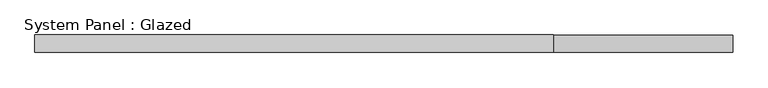
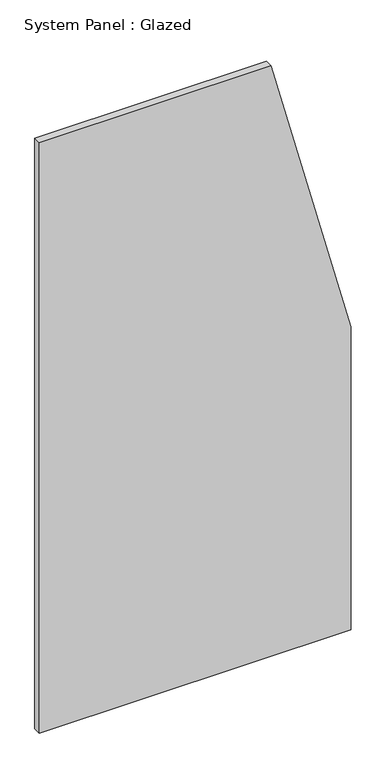
"""IFC4 building model written with IfcOpenShell, lengths in millimetres: plate geometry, System Panel : Glazed."""

from ifc_helpers import new_model, si_unit, frame, origin, place, context, project, spatial, polyline, outline, extrude, source, transform, mapped, element, save


def system_panel_glazed_a304a35b(model_context):
    return source(origin(), model_context, "Body", "SweptSolid", [
        extrude(outline(polyline([(0.0, -500.0), (0.0, 500.0), (1027.0270259, 500.0), (2000.0, 242.8571426), (2000.0, -500.0), (0.0, -500.0)])), frame((0.0, 24.5, 0.0), z_axis=(0.0, 1.0, 0.0), x_axis=(0.0, 0.0, 1.0)), (0.0, 0.0, 1.0), 25.0),
    ])


if __name__ == "__main__":
    model = new_model("IFC4")
    model_context = context("Model", 3, world=origin())
    ifc_project = project(units=[si_unit("LENGTHUNIT", "METRE", prefix="MILLI")], contexts=[model_context])
    site = spatial("IfcSite", under=ifc_project)
    building = spatial("IfcBuilding", under=site)
    placement = place(None, origin())
    system_panel_glazed_shape = system_panel_glazed_a304a35b(model_context)
    element("IfcPlate", 1, ObjectType="System Panel : Glazed", at=placement, inside=building, context=model_context, shape_type="MappedRepresentation", body=[
        mapped(system_panel_glazed_shape, transform((0.0, 0.0, 0.0), x_axis=(1.0, 0.0, 0.0), y_axis=(0.0, 1.0, 0.0), z_axis=(0.0, 0.0, 1.0))),
    ])
    save(model, "model.ifc")
